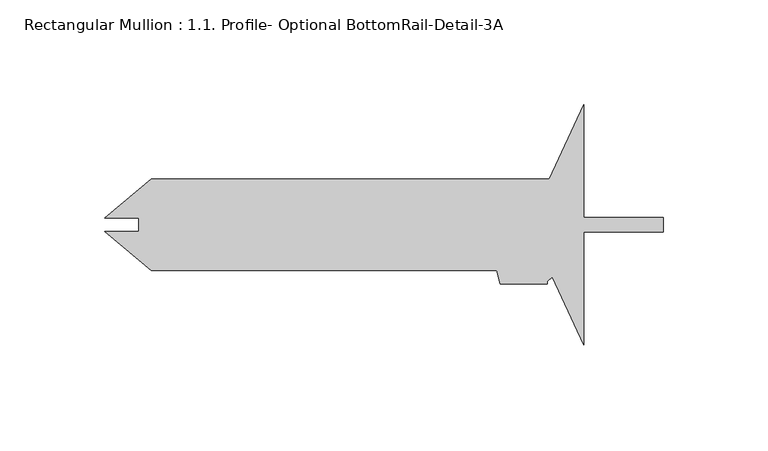
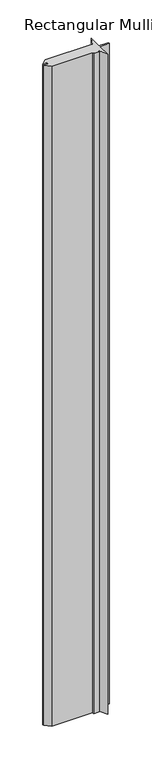
"""IFC4 building model written with IfcOpenShell, lengths in millimetres: member geometry, Rectangular Mullion : 1.1. Profile- Optional BottomRail-Detail-3A."""

from ifc_helpers import new_model, si_unit, frame, origin, place, context, project, spatial, polyline, outline, extrude, source, transform, mapped, element, save


def rectangular_mullion_1_1_profile_optional_bottomrail_detail_132ee3e8(model_context):
    return source(origin(), model_context, "Body", "SweptSolid", [
        extrude(outline(polyline([(-54.5137839, 21.8948), (-38.1000436, 57.5645349), (-38.1000436, 3.3655), (0.0, 3.3655), (0.0, -3.3655), (-38.1000436, -3.3655), (-38.1000436, -57.5645349), (-53.100878, -24.9652749), (-55.5625436, -27.1623725), (-55.5625436, -28.2448), (-78.0418662, -28.2448), (-79.7433436, -21.8948), (-244.7928004, -21.8948), (-267.117608, -3.1620621), (-250.8390136, -3.1620621), (-250.8390136, 3.1620621), (-267.117608, 3.1620621), (-244.7928004, 21.8948), (-54.5137839, 21.8948)])), frame((0.0, 0.0, -2841.0141079), z_axis=(0.0, 0.0, 1.0), x_axis=(1.0, 0.0, 0.0)), (0.0, 0.0, 1.0), 2841.0141079),
    ])


if __name__ == "__main__":
    model = new_model("IFC4")
    model_context = context("Model", 3, world=origin())
    ifc_project = project(units=[si_unit("LENGTHUNIT", "METRE", prefix="MILLI")], contexts=[model_context])
    site = spatial("IfcSite", under=ifc_project)
    building = spatial("IfcBuilding", under=site)
    placement = place(None, origin())
    rectangular_mullion_1_1_profile_optional_bottomrail_detail_shape = rectangular_mullion_1_1_profile_optional_bottomrail_detail_132ee3e8(model_context)
    element("IfcMember", 1, ObjectType="Rectangular Mullion : 1.1. Profile- Optional BottomRail-Detail-3A", at=placement, inside=building, context=model_context, shape_type="MappedRepresentation", body=[
        mapped(rectangular_mullion_1_1_profile_optional_bottomrail_detail_shape, transform((0.0, 0.0, 0.0), x_axis=(1.0, 0.0, 0.0), y_axis=(0.0, 1.0, 0.0), z_axis=(0.0, 0.0, 1.0))),
    ])
    save(model, "model.ifc")
